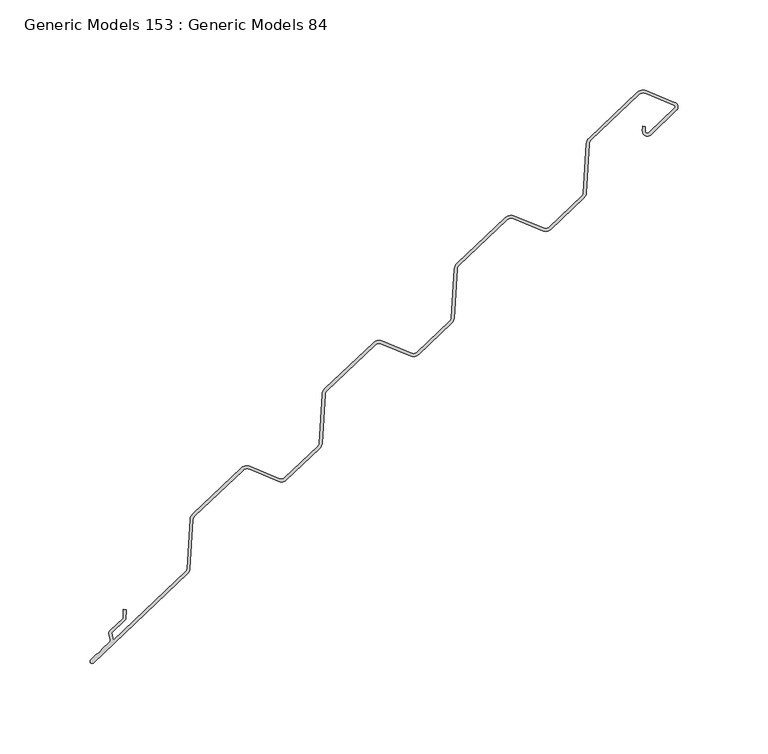
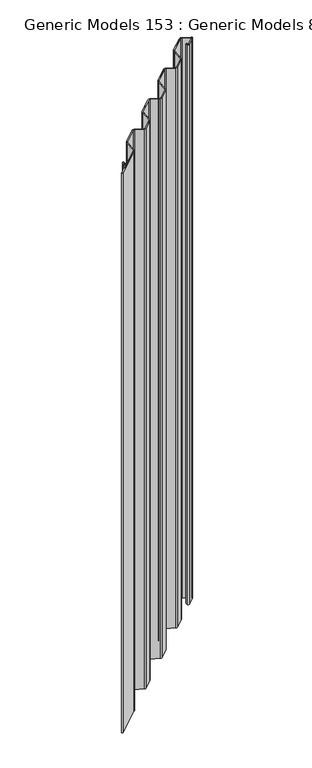
"""IFC4 building model written with IfcOpenShell, lengths in millimetres: proxy geometry, Generic Models 153 : Generic Models 84."""

from ifc_helpers import new_model, si_unit, point, frame, frame_2d, origin, place, context, project, spatial, polyline, circle_curve, trimmed, segment, composite_curve, outline, extrude, source, transform, mapped, element, save


def generic_models_153_generic_models_84_a55a7a87(model_context):
    return source(origin(), model_context, "Body", "SweptSolid", [
        extrude(outline(composite_curve([segment(polyline([(101421.9372193, 55877.7096164), (101429.301689, 55884.6982371), (101429.4263234, 55889.4578313), (101431.0132794, 55889.4162754), (101430.871432, 55883.9993425), (101422.9539253, 55876.4859093), (101423.9306559, 55872.4175336), (101464.1614316, 55910.5951143)]), True, "CONTINUOUS"), segment(trimmed(circle_curve(frame_2d((101462.5576946, 55912.2851004)), 2.3298123), [point((101464.1614316, 55910.5951143))], [point((101464.8831614, 55912.1428688))], True, "CARTESIAN"), True, "CONTINUOUS"), segment(polyline([(101464.8831614, 55912.1428688), (101466.5503905, 55939.4018228)]), True, "CONTINUOUS"), segment(trimmed(circle_curve(frame_2d((101471.2881599, 55939.1120484)), 4.7466229), [point((101466.5503905, 55939.4018228))], [point((101468.0208004, 55942.555127))], False, "CARTESIAN"), True, "CONTINUOUS"), segment(polyline([(101468.0208004, 55942.555127), (101494.8463011, 55968.0115767)]), True, "CONTINUOUS"), segment(trimmed(circle_curve(frame_2d((101498.1136607, 55964.5684981)), 4.7466229), [point((101494.8463011, 55968.0115767))], [point((101499.9301146, 55968.9538059))], False, "CARTESIAN"), True, "CONTINUOUS"), segment(polyline([(101499.9301146, 55968.9538059), (101516.4429901, 55962.1139489)]), True, "CONTINUOUS"), segment(trimmed(circle_curve(frame_2d((101517.3345707, 55964.2664148)), 2.3298123), [point((101516.4429901, 55962.1139489))], [point((101518.9383076, 55962.5764287))], True, "CARTESIAN"), True, "CONTINUOUS"), segment(polyline([(101518.9383076, 55962.5764287), (101537.4909278, 55980.1822079)]), True, "CONTINUOUS"), segment(trimmed(circle_curve(frame_2d((101535.8871908, 55981.872194)), 2.3298123), [point((101537.4909278, 55980.1822079))], [point((101538.2126576, 55981.7299624))], True, "CARTESIAN"), True, "CONTINUOUS"), segment(polyline([(101538.2126576, 55981.7299624), (101539.8798867, 56008.9889164)]), True, "CONTINUOUS"), segment(trimmed(circle_curve(frame_2d((101544.6176561, 56008.699142)), 4.7466229), [point((101539.8798867, 56008.9889164))], [point((101541.3502966, 56012.1422206))], False, "CARTESIAN"), True, "CONTINUOUS"), segment(polyline([(101541.3502966, 56012.1422206), (101568.1757973, 56037.5986703)]), True, "CONTINUOUS"), segment(trimmed(circle_curve(frame_2d((101571.4431569, 56034.1555917)), 4.7466229), [point((101568.1757973, 56037.5986703))], [point((101573.2596108, 56038.5408994))], False, "CARTESIAN"), True, "CONTINUOUS"), segment(polyline([(101573.2596108, 56038.5408994), (101589.7724863, 56031.7010425)]), True, "CONTINUOUS"), segment(trimmed(circle_curve(frame_2d((101590.6640669, 56033.8535084)), 2.3298123), [point((101589.7724863, 56031.7010425))], [point((101592.2678038, 56032.1635223))], True, "CARTESIAN"), True, "CONTINUOUS"), segment(polyline([(101592.2678038, 56032.1635223), (101610.820424, 56049.7693014)]), True, "CONTINUOUS"), segment(trimmed(circle_curve(frame_2d((101609.216687, 56051.4592876)), 2.3298123), [point((101610.820424, 56049.7693014))], [point((101611.5421538, 56051.317056))], True, "CARTESIAN"), True, "CONTINUOUS"), segment(polyline([(101611.5421538, 56051.317056), (101613.2093829, 56078.57601)]), True, "CONTINUOUS"), segment(trimmed(circle_curve(frame_2d((101617.9471523, 56078.2862356)), 4.7466229), [point((101613.2093829, 56078.57601))], [point((101614.6797928, 56081.7293142))], False, "CARTESIAN"), True, "CONTINUOUS"), segment(polyline([(101614.6797928, 56081.7293142), (101641.5052935, 56107.1857639)]), True, "CONTINUOUS"), segment(trimmed(circle_curve(frame_2d((101644.7726531, 56103.7426853)), 4.7466229), [point((101641.5052935, 56107.1857639))], [point((101646.589107, 56108.127993))], False, "CARTESIAN"), True, "CONTINUOUS"), segment(polyline([(101646.589107, 56108.127993), (101663.1019825, 56101.2881361)]), True, "CONTINUOUS"), segment(trimmed(circle_curve(frame_2d((101663.9935631, 56103.440602)), 2.3298123), [point((101663.1019825, 56101.2881361))], [point((101665.5973, 56101.7506158))], True, "CARTESIAN"), True, "CONTINUOUS"), segment(polyline([(101665.5973, 56101.7506158), (101684.1499202, 56119.356395)]), True, "CONTINUOUS"), segment(trimmed(circle_curve(frame_2d((101682.5461832, 56121.0463812)), 2.3298123), [point((101684.1499202, 56119.356395))], [point((101684.87165, 56120.9041496))], True, "CARTESIAN"), True, "CONTINUOUS"), segment(polyline([(101684.87165, 56120.9041496), (101686.5388791, 56148.1631036)]), True, "CONTINUOUS"), segment(trimmed(circle_curve(frame_2d((101691.2766485, 56147.8733292)), 4.7466229), [point((101686.5388791, 56148.1631036))], [point((101688.009289, 56151.3164078))], False, "CARTESIAN"), True, "CONTINUOUS"), segment(polyline([(101688.009289, 56151.3164078), (101714.8347897, 56176.7728575)]), True, "CONTINUOUS"), segment(trimmed(circle_curve(frame_2d((101718.1021493, 56173.3297789)), 4.7466229), [point((101714.8347897, 56176.7728575))], [point((101719.9186032, 56177.7150866))], False, "CARTESIAN"), True, "CONTINUOUS"), segment(polyline([(101719.9186032, 56177.7150866), (101735.7381401, 56171.1624199)]), True, "CONTINUOUS"), segment(trimmed(circle_curve(frame_2d((101734.724425, 56168.7150951)), 2.6489653), [point((101735.7381401, 56171.1624199))], [point((101736.5478524, 56166.7936036))], False, "CARTESIAN"), True, "CONTINUOUS"), segment(polyline([(101736.5478524, 56166.7936036), (101722.1497851, 56153.130348)]), True, "CONTINUOUS"), segment(trimmed(circle_curve(frame_2d((101720.3263578, 56155.0518395)), 2.6489653), [point((101722.1497851, 56153.130348))], [point((101717.6783002, 56155.1211813))], False, "CARTESIAN"), True, "CONTINUOUS"), segment(polyline([(101717.6783002, 56155.1211813), (101717.7504241, 56157.875481), (101719.3373801, 56157.8339251), (101719.2652562, 56155.0796254)]), True, "CONTINUOUS"), segment(trimmed(circle_curve(frame_2d((101720.3263578, 56155.0518395)), 1.0614653), [point((101719.2652562, 56155.0796254))], [point((101721.0570223, 56154.2818798))], True, "CARTESIAN"), True, "CONTINUOUS"), segment(polyline([(101721.0570223, 56154.2818798), (101735.4550895, 56167.9451354)]), True, "CONTINUOUS"), segment(trimmed(circle_curve(frame_2d((101734.724425, 56168.7150951)), 1.0614653), [point((101735.4550895, 56167.9451354))], [point((101735.1306302, 56169.6957611))], True, "CARTESIAN"), True, "CONTINUOUS"), segment(polyline([(101735.1306302, 56169.6957611), (101719.3110933, 56176.2484279)]), True, "CONTINUOUS"), segment(trimmed(circle_curve(frame_2d((101718.1021493, 56173.3297789)), 3.1591229), [point((101719.3110933, 56176.2484279))], [point((101715.9275526, 56175.6213257))], True, "CARTESIAN"), True, "CONTINUOUS"), segment(polyline([(101715.9275526, 56175.6213257), (101689.1020518, 56150.1648759)]), True, "CONTINUOUS"), segment(trimmed(circle_curve(frame_2d((101691.2766485, 56147.8733292)), 3.1591229), [point((101689.1020518, 56150.1648759))], [point((101688.1234181, 56148.066189))], True, "CARTESIAN"), True, "CONTINUOUS"), segment(polyline([(101688.1234181, 56148.066189), (101686.456189, 56120.807235)]), True, "CONTINUOUS"), segment(trimmed(circle_curve(frame_2d((101682.5461832, 56121.0463812)), 3.9173123), [point((101686.456189, 56120.807235))], [point((101685.2426831, 56118.2048632))], False, "CARTESIAN"), True, "CONTINUOUS"), segment(polyline([(101685.2426831, 56118.2048632), (101666.6900629, 56100.599084)]), True, "CONTINUOUS"), segment(trimmed(circle_curve(frame_2d((101663.9935631, 56103.440602)), 3.9173123), [point((101666.6900629, 56100.599084))], [point((101662.4944725, 56099.8214773))], False, "CARTESIAN"), True, "CONTINUOUS"), segment(polyline([(101662.4944725, 56099.8214773), (101645.9815971, 56106.6613343)]), True, "CONTINUOUS"), segment(trimmed(circle_curve(frame_2d((101644.7726531, 56103.7426853)), 3.1591229), [point((101645.9815971, 56106.6613343))], [point((101642.5980564, 56106.0342321))], True, "CARTESIAN"), True, "CONTINUOUS"), segment(polyline([(101642.5980564, 56106.0342321), (101615.7725556, 56080.5777824)]), True, "CONTINUOUS"), segment(trimmed(circle_curve(frame_2d((101617.9471523, 56078.2862356)), 3.1591229), [point((101615.7725556, 56080.5777824))], [point((101614.7939219, 56078.4790954))], True, "CARTESIAN"), True, "CONTINUOUS"), segment(polyline([(101614.7939219, 56078.4790954), (101613.1266928, 56051.2201414)]), True, "CONTINUOUS"), segment(trimmed(circle_curve(frame_2d((101609.216687, 56051.4592876)), 3.9173123), [point((101613.1266928, 56051.2201414))], [point((101611.9131869, 56048.6177696))], False, "CARTESIAN"), True, "CONTINUOUS"), segment(polyline([(101611.9131869, 56048.6177696), (101593.3605667, 56031.0119904)]), True, "CONTINUOUS"), segment(trimmed(circle_curve(frame_2d((101590.6640669, 56033.8535084)), 3.9173123), [point((101593.3605667, 56031.0119904))], [point((101589.1649763, 56030.2343837))], False, "CARTESIAN"), True, "CONTINUOUS"), segment(polyline([(101589.1649763, 56030.2343837), (101572.6521009, 56037.0742407)]), True, "CONTINUOUS"), segment(trimmed(circle_curve(frame_2d((101571.4431569, 56034.1555917)), 3.1591229), [point((101572.6521009, 56037.0742407))], [point((101569.2685602, 56036.4471385))], True, "CARTESIAN"), True, "CONTINUOUS"), segment(polyline([(101569.2685602, 56036.4471385), (101542.4430594, 56010.9906888)]), True, "CONTINUOUS"), segment(trimmed(circle_curve(frame_2d((101544.6176561, 56008.699142)), 3.1591229), [point((101542.4430594, 56010.9906888))], [point((101541.4644257, 56008.8920018))], True, "CARTESIAN"), True, "CONTINUOUS"), segment(polyline([(101541.4644257, 56008.8920018), (101539.7971966, 55981.6330478)]), True, "CONTINUOUS"), segment(trimmed(circle_curve(frame_2d((101535.8871908, 55981.872194)), 3.9173123), [point((101539.7971966, 55981.6330478))], [point((101538.5836907, 55979.030676))], False, "CARTESIAN"), True, "CONTINUOUS"), segment(polyline([(101538.5836907, 55979.030676), (101520.0310705, 55961.4248969)]), True, "CONTINUOUS"), segment(trimmed(circle_curve(frame_2d((101517.3345707, 55964.2664148)), 3.9173123), [point((101520.0310705, 55961.4248969))], [point((101515.8354801, 55960.6472901))], False, "CARTESIAN"), True, "CONTINUOUS"), segment(polyline([(101515.8354801, 55960.6472901), (101499.3226047, 55967.4871471)]), True, "CONTINUOUS"), segment(trimmed(circle_curve(frame_2d((101498.1136607, 55964.5684981)), 3.1591229), [point((101499.3226047, 55967.4871471))], [point((101495.939064, 55966.8600449))], True, "CARTESIAN"), True, "CONTINUOUS"), segment(polyline([(101495.939064, 55966.8600449), (101469.1135632, 55941.4035952)]), True, "CONTINUOUS"), segment(trimmed(circle_curve(frame_2d((101471.2881599, 55939.1120484)), 3.1591229), [point((101469.1135632, 55941.4035952))], [point((101468.1349295, 55939.3049083))], True, "CARTESIAN"), True, "CONTINUOUS"), segment(polyline([(101468.1349295, 55939.3049083), (101466.4677004, 55912.0459542)]), True, "CONTINUOUS"), segment(trimmed(circle_curve(frame_2d((101462.5576946, 55912.2851004)), 3.9173123), [point((101466.4677004, 55912.0459542))], [point((101465.2541945, 55909.4435825))], False, "CARTESIAN"), True, "CONTINUOUS"), segment(polyline([(101465.2541945, 55909.4435825), (101412.9803374, 55859.8375443)]), True, "CONTINUOUS"), segment(trimmed(circle_curve(frame_2d((101412.1800859, 55860.6808335)), 1.1625572), [point((101412.9803374, 55859.8375443))], [point((101411.3798343, 55861.5241227))], False, "CARTESIAN"), True, "CONTINUOUS"), segment(polyline([(101411.3798343, 55861.5241227), (101414.5566812, 55864.5388379), (101416.4995494, 55865.8402033), (101417.9008133, 55867.7123007), (101421.9576141, 55871.562061)]), True, "CONTINUOUS"), segment(trimmed(circle_curve(frame_2d((101421.2269496, 55872.3320207)), 1.0614653), [point((101421.9576141, 55871.562061))], [point((101422.2590865, 55872.5798148))], True, "CARTESIAN"), True, "CONTINUOUS"), segment(polyline([(101422.2590865, 55872.5798148), (101421.4347653, 55876.0133599)]), True, "CONTINUOUS"), segment(trimmed(circle_curve(frame_2d((101423.1549935, 55876.4263502)), 1.7691088), [point((101421.4347653, 55876.0133599))], [point((101421.9372193, 55877.7096164))], False, "CARTESIAN"), True, "CONTINUOUS")], self_intersect=False)), frame((0.0, 0.0, 17452.7465761), z_axis=(0.0, 0.0, 1.0), x_axis=(1.0, 0.0, 0.0)), (0.0, 0.0, 1.0), 1244.6),
    ])


if __name__ == "__main__":
    model = new_model("IFC4")
    model_context = context("Model", 3, world=origin())
    ifc_project = project(units=[si_unit("LENGTHUNIT", "METRE", prefix="MILLI")], contexts=[model_context])
    site = spatial("IfcSite", under=ifc_project)
    building = spatial("IfcBuilding", under=site)
    placement = place(None, origin())
    generic_models_153_generic_models_84_shape = generic_models_153_generic_models_84_a55a7a87(model_context)
    element("IfcBuildingElementProxy", 1, Name="Generic Models 153 : Generic Models 84", ObjectType="Generic Models 153 : Generic Models 84", at=placement, inside=building, context=model_context, shape_type="MappedRepresentation", body=[
        mapped(generic_models_153_generic_models_84_shape, transform((0.0, 0.0, 0.0), x_axis=(1.0, 0.0, 0.0), y_axis=(0.0, 1.0, 0.0), z_axis=(0.0, 0.0, 1.0))),
    ])
    save(model, "model.ifc")
